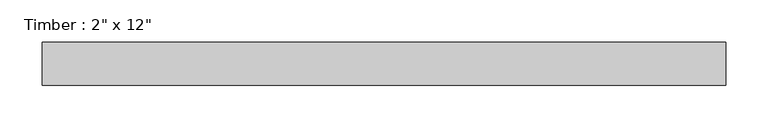
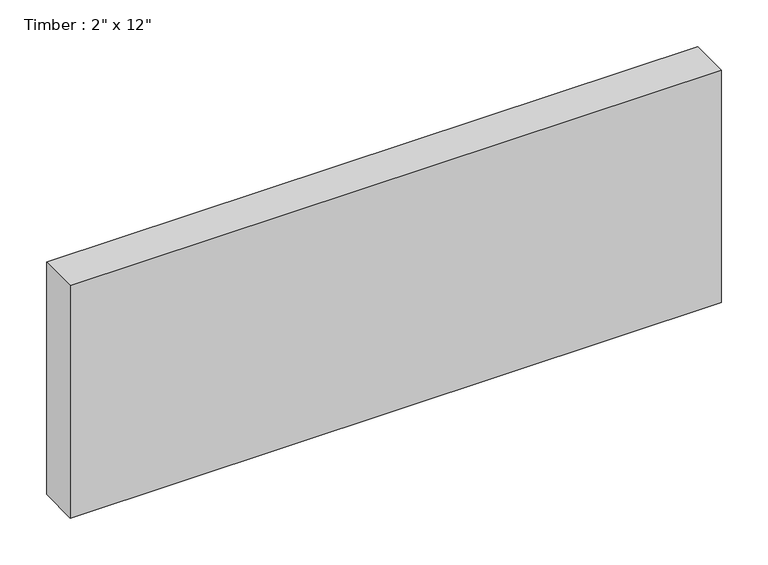
"""IFC4 building model written with IfcOpenShell, lengths in millimetres: beam geometry."""

from ifc_helpers import new_model, si_unit, frame, origin, place, context, project, spatial, polyline, outline, extrude, source, transform, mapped, element, save


def beam_790f1e06(model_context):
    return source(origin(), model_context, "Body", "SweptSolid", [
        extrude(outline(polyline([(395.9236624, 25.4), (395.9236624, -25.4), (-410.5762531, -25.4), (-410.5762531, 25.4), (395.9236624, 25.4)])), frame((0.0, 0.0, -152.4), z_axis=(0.0, 0.0, 1.0), x_axis=(1.0, 0.0, 0.0)), (0.0, 0.0, 1.0), 304.8),
    ])


if __name__ == "__main__":
    model = new_model("IFC4")
    model_context = context("Model", 3, world=origin())
    ifc_project = project(units=[si_unit("LENGTHUNIT", "METRE", prefix="MILLI")], contexts=[model_context])
    site = spatial("IfcSite", under=ifc_project)
    building = spatial("IfcBuilding", under=site)
    placement = place(None, origin())
    beam_shape = beam_790f1e06(model_context)
    element("IfcBeam", 1, ObjectType="Timber : 2\" x 12\"", at=placement, inside=building, context=model_context, shape_type="MappedRepresentation", body=[
        mapped(beam_shape, transform((0.0, 0.0, 0.0), x_axis=(1.0, 0.0, 0.0), y_axis=(0.0, 1.0, 0.0), z_axis=(0.0, 0.0, 1.0))),
    ])
    save(model, "model.ifc")
